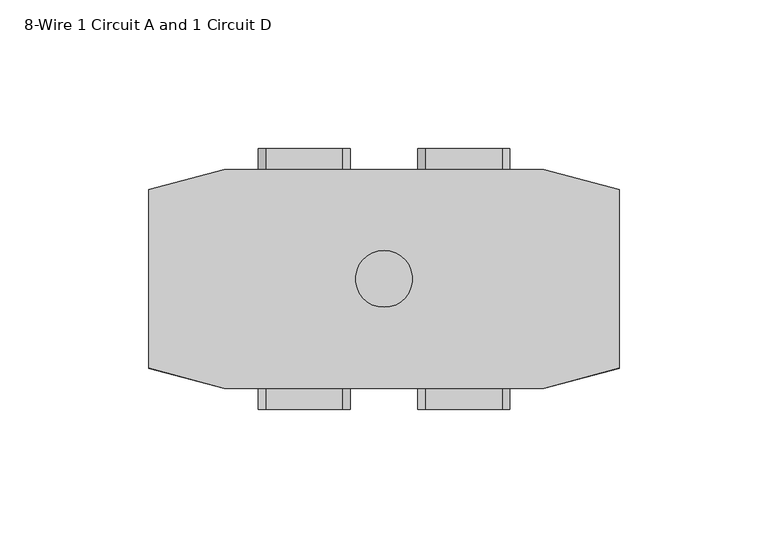
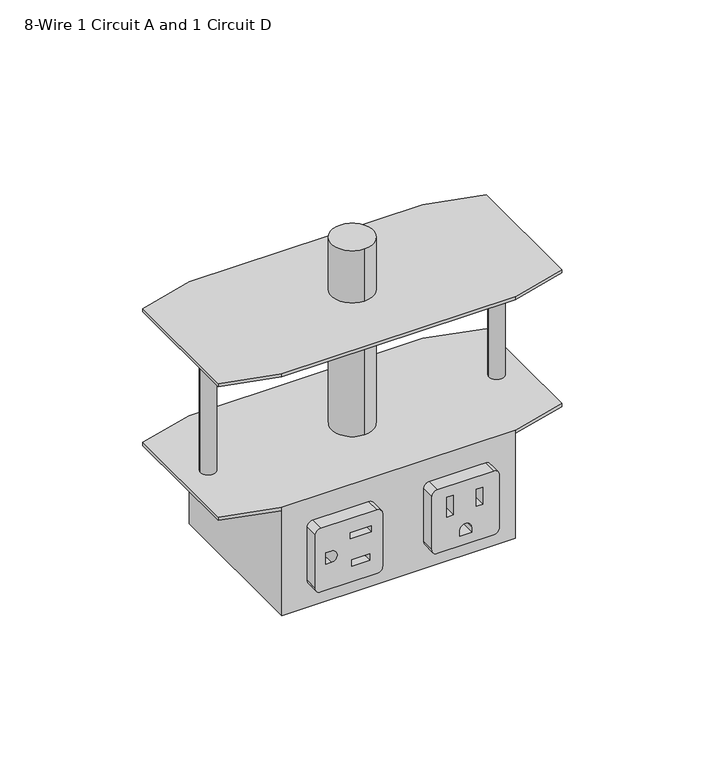
"""IFC4 building model written with IfcOpenShell, lengths in millimetres: furniture geometry, 8-Wire 1 Circuit A and 1 Circuit D."""

import ifcopenshell
import ifcopenshell.guid

model = None  # the IFC model being written
_history = None  # IfcOwnerHistory: only IFC2X3 demands one
_inside = {}  # id of a spatial element -> (the spatial element, [elements in it])
_under = {}  # id of a project, library or spatial element -> (it, [spatial elements below it])
_declared = {}  # id of a project -> (the project, [libraries it declares])
_typed = {}  # id of a type object -> (the type object, [elements of that type])
_made_of = {}  # id of a material, layer set ... -> (it, [elements and type objects made of it])


def new_model(schema):
    """Start an empty IFC model of exactly this schema.

    Asked for "IFC4X3", IfcOpenShell would pick the latest addendum, in which some entities
    have other attributes; the version numbers below select the first issue.
    IFC2X3 requires an IfcOwnerHistory on every rooted entity: one is made here for all.
    """
    global model, _history
    if schema == "IFC4X3":
        model = ifcopenshell.file(schema_version=(4, 3, 0, 0))
    else:
        model = ifcopenshell.file(schema=schema)
    _inside.clear()
    _under.clear()
    _declared.clear()
    _typed.clear()
    _made_of.clear()
    _history = None
    if model.schema == "IFC2X3":
        org = make("IfcOrganization", Name="unknown")
        user = make(
            "IfcPersonAndOrganization",
            ThePerson=make("IfcPerson", FamilyName="unknown"),
            TheOrganization=org,
        )
        app = make(
            "IfcApplication",
            ApplicationDeveloper=org,
            Version="unknown",
            ApplicationFullName="unknown",
            ApplicationIdentifier="unknown",
        )
        _history = make(
            "IfcOwnerHistory",
            OwningUser=user,
            OwningApplication=app,
            ChangeAction="ADDED",
            CreationDate=0,
        )
    return model


def make(cls, **values):
    """One entity of the class cls with the attributes given. An attribute that is None is left unset."""
    return model.create_entity(
        cls, **{name: value for name, value in values.items() if value is not None}
    )


def rooted(cls, **values):
    """An entity with a GlobalId (a new one), such as an element, a storey or a relation."""
    return make(cls, GlobalId=ifcopenshell.guid.new(), OwnerHistory=_history, **values)


def si_unit(unit_type, name, prefix=None):
    """IfcSIUnit, for example si_unit("LENGTHUNIT", "METRE", prefix="MILLI")."""
    return make("IfcSIUnit", UnitType=unit_type, Prefix=prefix, Name=name)


def assignment(units):
    """IfcUnitAssignment: the units of a project."""
    return None if units is None else make("IfcUnitAssignment", Units=units)


def point(xyz):
    """IfcCartesianPoint."""
    return None if xyz is None else make("IfcCartesianPoint", Coordinates=xyz)


def direction(xyz):
    """IfcDirection."""
    return None if xyz is None else make("IfcDirection", DirectionRatios=xyz)


def frame(location, z_axis=None, x_axis=None):
    """IfcAxis2Placement3D, a coordinate frame: its origin and axes. An axis left out is left unset."""
    return make(
        "IfcAxis2Placement3D",
        Location=point(location),
        Axis=direction(z_axis),
        RefDirection=direction(x_axis),
    )


def frame_2d(location, x_axis=None):
    """IfcAxis2Placement2D, a coordinate frame in the plane: its origin and x axis."""
    return make(
        "IfcAxis2Placement2D", Location=point(location), RefDirection=direction(x_axis)
    )


def origin():
    """The frame at (0, 0, 0) with its axes left unset."""
    return frame((0.0, 0.0, 0.0))


def place(relative_to, where):
    """IfcLocalPlacement: puts the frame where relative to a parent placement (None: the world)."""
    return make(
        "IfcLocalPlacement", PlacementRelTo=relative_to, RelativePlacement=where
    )


def context(
    kind, dimensions, precision=None, world=None, true_north=None, identifier=None
):
    """IfcGeometricRepresentationContext, for example the 3D "Model" context."""
    return make(
        "IfcGeometricRepresentationContext",
        ContextIdentifier=identifier,
        ContextType=kind,
        CoordinateSpaceDimension=dimensions,
        Precision=precision,
        WorldCoordinateSystem=world,
        TrueNorth=true_north,
    )


def project(units=None, contexts=None):
    """IfcProject with its units and contexts."""
    return rooted(
        "IfcProject",
        Name="project",
        RepresentationContexts=contexts,
        UnitsInContext=assignment(units),
    )


def spatial(cls, under=None, at=None, **own):
    """A site, building, storey or space (cls), placed at a placement, below another one or the project."""
    s = rooted(cls, ObjectPlacement=at, **own)
    if under is not None:
        _under.setdefault(under.id(), (under, []))[1].append(s)
    return s


def polyline(points):
    """IfcPolyline through the points."""
    return make("IfcPolyline", Points=[point(p) for p in points])


def circle_curve(where, radius):
    """IfcCircle in the frame where."""
    return make("IfcCircle", Position=where, Radius=radius)


def trimmed(basis, trim1, trim2, sense, master):
    """IfcTrimmedCurve: the piece of a basis curve between two trims."""
    return make(
        "IfcTrimmedCurve",
        BasisCurve=basis,
        Trim1=trim1,
        Trim2=trim2,
        SenseAgreement=sense,
        MasterRepresentation=master,
    )


def segment(curve, same_sense, transition):
    """IfcCompositeCurveSegment."""
    return make(
        "IfcCompositeCurveSegment",
        Transition=transition,
        SameSense=same_sense,
        ParentCurve=curve,
    )


def composite_curve(segments, self_intersect=None):
    """IfcCompositeCurve: segments joined end to end."""
    return make("IfcCompositeCurve", Segments=segments, SelfIntersect=self_intersect)


def outline(outer, holes=None, kind="AREA"):
    """IfcArbitraryClosedProfileDef: a profile drawn as a closed curve; with holes, ...WithVoids."""
    if holes is None:
        return make("IfcArbitraryClosedProfileDef", ProfileType=kind, OuterCurve=outer)
    return make(
        "IfcArbitraryProfileDefWithVoids",
        ProfileType=kind,
        OuterCurve=outer,
        InnerCurves=holes,
    )


def extrude(swept, where, along, depth):
    """IfcExtrudedAreaSolid: the profile swept, set in the frame where, extruded along a direction by depth."""
    return make(
        "IfcExtrudedAreaSolid",
        SweptArea=swept,
        Position=where,
        ExtrudedDirection=direction(along),
        Depth=depth,
    )


def faces_of(points, faces, orient=None, outer=None):
    """IfcFace entities. A face is a list of loops; a loop is a list of indices into points, from 0.

    orient and outer hold one flag for each loop. By default every Orientation is true, the
    first loop of a face is its IfcFaceOuterBound and the others are IfcFaceBound.
    """
    made = []
    for i, loops in enumerate(faces):
        bounds = []
        for j, loop in enumerate(loops):
            is_outer = j == 0 if outer is None else outer[i][j]
            bounds.append(
                make(
                    "IfcFaceOuterBound" if is_outer else "IfcFaceBound",
                    Bound=make("IfcPolyLoop", Polygon=[points[k] for k in loop]),
                    Orientation=True if orient is None else orient[i][j],
                )
            )
        made.append(make("IfcFace", Bounds=bounds))
    return made


def faceted_brep(points, faces, orient=None, outer=None, voids=None):
    """IfcFacetedBrep: a solid bounded by flat faces; with voids (closed shells), ...WithVoids."""
    shared = [point(p) for p in points]
    hull = make("IfcClosedShell", CfsFaces=faces_of(shared, faces, orient, outer))
    if voids is None:
        return make("IfcFacetedBrep", Outer=hull)
    return make(
        "IfcFacetedBrepWithVoids",
        Outer=hull,
        Voids=[
            make(cls, CfsFaces=faces_of(shared, fs, o, b)) for cls, fs, o, b in voids
        ],
    )


def shape(context_of_items, identifier, shape_type, items):
    """IfcShapeRepresentation: the items that make up one representation, for example the "Body"."""
    return make(
        "IfcShapeRepresentation",
        ContextOfItems=context_of_items,
        RepresentationIdentifier=identifier,
        RepresentationType=shape_type,
        Items=items,
    )


def source(mapping_origin, context_of_items, identifier, shape_type, items):
    """IfcRepresentationMap: a shape defined once, which mapped items show again and again."""
    return make(
        "IfcRepresentationMap",
        MappingOrigin=mapping_origin,
        MappedRepresentation=shape(context_of_items, identifier, shape_type, items),
    )


def transform(
    local_origin,
    x_axis=None,
    y_axis=None,
    z_axis=None,
    scale=None,
    scale2=None,
    scale3=None,
    uniform=True,
):
    """IfcCartesianTransformationOperator3D, or its non-uniform kind. x_axis, y_axis, z_axis: its Axis1, 2, 3."""
    if uniform:
        return make(
            "IfcCartesianTransformationOperator3D",
            Axis1=direction(x_axis),
            Axis2=direction(y_axis),
            LocalOrigin=point(local_origin),
            Scale=scale,
            Axis3=direction(z_axis),
        )
    return make(
        "IfcCartesianTransformationOperator3DnonUniform",
        Axis1=direction(x_axis),
        Axis2=direction(y_axis),
        LocalOrigin=point(local_origin),
        Scale=scale,
        Axis3=direction(z_axis),
        Scale2=scale2,
        Scale3=scale3,
    )


def mapped(mapping_source, mapping_target):
    """IfcMappedItem: shows the shape of a source again, moved by a transform."""
    return make(
        "IfcMappedItem", MappingSource=mapping_source, MappingTarget=mapping_target
    )


def made_of(thing, what):
    """Note that an element or type object is made of a material, layer set ...; save() writes the relation."""
    if what is not None:
        _made_of.setdefault(what.id(), (what, []))[1].append(thing)
    return thing


def element(
    cls,
    number,
    at=None,
    inside=None,
    cuts=None,
    type_object=None,
    material=None,
    context=None,
    identifier="Body",
    shape_type=None,
    held_by="IfcProductDefinitionShape",
    body=None,
    shapes=None,
    **own,
):
    """One element of the class cls, such as IfcWall. Its Tag is "e" and its number.

    at: its placement. inside: the storey or other place that contains it. cuts: it is an
    opening in that element (IfcRelVoidsElement). A single representation is given by context,
    identifier, shape_type and body (its items); several are given by shapes. held_by: the class
    of the entity that holds the representations. save() writes the other relations.
    """
    e = rooted(cls, Tag="e%d" % number, ObjectPlacement=at, **own)
    if body is not None:
        shapes = [shape(context, identifier, shape_type, body)]
    if shapes is not None:
        e.Representation = make(held_by, Representations=shapes)
    if inside is not None:
        _inside.setdefault(inside.id(), (inside, []))[1].append(e)
    if cuts is not None:
        rooted(
            "IfcRelVoidsElement", RelatingBuildingElement=cuts, RelatedOpeningElement=e
        )
    if type_object is not None:
        _typed.setdefault(type_object.id(), (type_object, []))[1].append(e)
    return made_of(e, material)


def aggregate(whole, parts):
    """IfcRelAggregates: a whole, such as a stair, and the parts it consists of."""
    return rooted("IfcRelAggregates", RelatingObject=whole, RelatedObjects=parts)


def save(model, path):
    """Write the relations noted so far, then the file.

    IfcRelAggregates (storeys below a building ...), IfcRelContainedInSpatialStructure (elements
    in a storey), IfcRelDefinesByType, IfcRelAssociatesMaterial and IfcRelDeclares: one each for
    every whole, place, type object, material and project.
    """
    for whole, parts in _under.values():
        aggregate(whole, parts)
    for where, things in _inside.values():
        rooted(
            "IfcRelContainedInSpatialStructure",
            RelatedElements=things,
            RelatingStructure=where,
        )
    for kind, things in _typed.values():
        rooted("IfcRelDefinesByType", RelatedObjects=things, RelatingType=kind)
    for what, things in _made_of.values():
        rooted("IfcRelAssociatesMaterial", RelatedObjects=things, RelatingMaterial=what)
    for by, libraries in _declared.values():
        rooted("IfcRelDeclares", RelatingContext=by, RelatedDefinitions=libraries)
    model.write(path)


def plane_surface(at):
    """IfcPlane: the flat surface through the origin of the frame at, square to its z axis."""
    return make("IfcPlane", Position=at)


def cylinder_surface(at, radius):
    """IfcCylindricalSurface: all points at the distance radius from the z axis of the frame at."""
    return make("IfcCylindricalSurface", Position=at, Radius=radius)


def advanced_brep(points, edges, surfaces, faces):
    """IfcAdvancedBrep: a solid bounded by faces that lie on surfaces and meet in shared edges.

    An edge is (start, end): straight between two places in points (the first is 0);
    or (start, end, curve); or (start, end, curve, False) where it runs against its curve.
    A face is (place in surfaces, loops), or (place, loops, False) where it looks against
    its surface's normal. A loop lists edges by number (the first is 1), with a minus sign
    where the edge is run from its end to its start. The first loop is the outer one.
    """
    corners = [point(p) for p in points]
    vertices = [make("IfcVertexPoint", VertexGeometry=c) for c in corners]
    made = []
    for start, end, *more in edges:
        made.append(
            make(
                "IfcEdgeCurve",
                EdgeStart=vertices[start],
                EdgeEnd=vertices[end],
                EdgeGeometry=more[0] if more else make("IfcPolyline", Points=[corners[start], corners[end]]),
                SameSense=more[1] if len(more) > 1 else True,
            )
        )
    hull = []
    for where, loops, *sense in faces:
        bounds = []
        for j, loop in enumerate(loops):
            ring = [make("IfcOrientedEdge", EdgeElement=made[abs(k) - 1], Orientation=k > 0) for k in loop]
            bounds.append(
                make(
                    "IfcFaceOuterBound" if j == 0 else "IfcFaceBound",
                    Bound=make("IfcEdgeLoop", EdgeList=ring),
                    Orientation=True,
                )
            )
        hull.append(make("IfcAdvancedFace", Bounds=bounds, FaceSurface=surfaces[where], SameSense=sense[0] if sense else True))
    return make("IfcAdvancedBrep", Outer=make("IfcClosedShell", CfsFaces=hull))


def furniture_8_wire_1_circuit_a_and_1_circuit_d_0ca90a30(model_context):
    return source(origin(), model_context, "Body", "SolidModel", [
        advanced_brep(
        [(53.6575033, -1.9049964, 163.6268038), (-53.6575033, -1.9049964, 163.6268038), (-53.6574898, -1.9049964, 165.1508024), (53.6575033, -1.9049964, 165.1508024), (53.6575033, -75.5649988, 165.1508024), (-53.6575033, -75.5649988, 165.1508024), (-53.6575079, -75.5649988, 163.6268038), (53.6575033, -75.5649988, 163.6268038), (79.0575015, -8.7109094, 163.6268038), (79.0575015, -68.7590888, 163.6268038), (-79.0575015, -68.7590888, 163.6268038), (-79.0575015, -8.7109094, 163.6268038), (0.0, -29.2099976, 163.6268038), (0.0, -48.2599976, 163.6268038), (-79.0575015, -8.7109094, 165.1508024), (-79.0575015, -68.7590888, 165.1508024), (79.0575015, -68.7590888, 165.1508024), (79.0575015, -8.7109094, 165.1508024), (0.0, -48.2599976, 165.1508024), (0.0, -29.2099976, 165.1508024), (0.0, -48.2599976, 190.5507963), (0.0, -29.2099976, 190.5507963), (0.0, -48.2599976, 100.1268326), (0.0, -29.2099976, 100.1268326)],
        [
            (0, 1),
            (1, 2),
            (2, 3),
            (3, 0),
            (4, 5),
            (5, 6),
            (6, 7),
            (7, 4),
            (0, 8),
            (8, 9),
            (9, 7),
            (6, 10),
            (10, 11),
            (11, 1),
            (12, 13, circle_curve(frame((0.0, -38.7349976, 163.6268038), z_axis=(0.0, 0.0, 1.0), x_axis=(0.0, 1.0, 0.0)), 9.525)),
            (13, 12, circle_curve(frame((0.0, -38.7349976, 163.6268038), z_axis=(0.0, 0.0, 1.0), x_axis=(0.0, 1.0, 0.0)), 9.525)),
            (2, 14),
            (14, 15),
            (15, 5),
            (4, 16),
            (16, 17),
            (17, 3),
            (18, 19, circle_curve(frame((0.0, -38.7349976, 165.1508024), z_axis=(0.0, 0.0, -1.0), x_axis=(0.0, 1.0, 0.0)), 9.525)),
            (19, 18, circle_curve(frame((0.0, -38.7349976, 165.1508024), z_axis=(0.0, 0.0, -1.0), x_axis=(0.0, 1.0, 0.0)), 9.525)),
            (20, 21, circle_curve(frame((0.0, -38.7349976, 190.5507963), z_axis=(0.0, 0.0, 1.0), x_axis=(0.0, 1.0, 0.0)), 9.525)),
            (21, 20, circle_curve(frame((0.0, -38.7349976, 190.5507963), z_axis=(0.0, 0.0, 1.0), x_axis=(0.0, 1.0, 0.0)), 9.525)),
            (22, 23, circle_curve(frame((0.0, -38.7349976, 100.1268326), z_axis=(0.0, 0.0, -1.0), x_axis=(0.0, 1.0, 0.0)), 9.525)),
            (23, 22, circle_curve(frame((0.0, -38.7349976, 100.1268326), z_axis=(0.0, 0.0, -1.0), x_axis=(0.0, 1.0, 0.0)), 9.525)),
            (21, 19),
            (18, 20),
            (22, 13),
            (12, 23),
            (17, 8),
            (9, 16),
            (14, 11),
            (10, 15),
        ],
        [
            plane_surface(frame((53.6575033, -1.9049964, 100.1268326), z_axis=(0.0, 1.0, 0.0), x_axis=(0.0, 0.0, -1.0))),
            plane_surface(frame((53.6575033, -75.5649988, 100.1268326), z_axis=(0.0, -1.0, 0.0), x_axis=(0.0, 0.0, 1.0))),
            plane_surface(frame((53.6575033, -1.9049964, 163.6268038), z_axis=(0.0, 0.0, -1.0), x_axis=(0.0, -1.0, 0.0))),
            plane_surface(frame((-53.6575033, -1.9049964, 165.1508024), z_axis=(0.0, 0.0, 1.0), x_axis=(0.0, -1.0, 0.0))),
            plane_surface(frame((0.0, -29.2099976, 190.5507963), z_axis=(0.0, 0.0, 1.0), x_axis=(-1.0, 0.0, 0.0))),
            plane_surface(frame((0.0, -29.2099976, 100.1268326), z_axis=(0.0, 0.0, -1.0), x_axis=(1.0, 0.0, 0.0))),
            cylinder_surface(frame((0.0, -38.7349976, 100.1268326), z_axis=(0.0, 0.0, 1.0), x_axis=(0.0, 1.0, 0.0)), 9.525),
            plane_surface(frame((79.0575015, -8.7109094, 165.1508387), z_axis=(0.2588190584966735, 0.9659258227001158, 0.0), x_axis=(0.0, 0.0, -1.0))),
            plane_surface(frame((53.6575033, -75.565, 165.1508387), z_axis=(0.2588191236285681, -0.9659258052480739, 0.0), x_axis=(0.0, 0.0, -1.0))),
            plane_surface(frame((79.0575015, -68.7590888, 165.1508387), z_axis=(1.0, 0.0, 0.0), x_axis=(0.0, 0.0, -1.0))),
            plane_surface(frame((-79.0575015, -8.7109094, 165.1508387), z_axis=(-1.0, 0.0, 0.0), x_axis=(0.0, 0.0, -1.0))),
            plane_surface(frame((-79.0575015, -68.7590888, 165.1508387), z_axis=(-0.2588191236285681, -0.9659258052480739, 0.0), x_axis=(0.0, 0.0, -1.0))),
            plane_surface(frame((-53.6575033, -1.905, 165.1508387), z_axis=(-0.2588190584966735, 0.9659258227001158, 0.0), x_axis=(0.0, 0.0, -1.0))),
        ],
        [
            (0, [[1, 2, 3, 4]]),
            (1, [[5, 6, 7, 8]]),
            (2, [[-1, 9, 10, 11, -7, 12, 13, 14], [15, 16]]),
            (3, [[-3, 17, 18, 19, -5, 20, 21, 22], [23, 24]]),
            (4, [[25, 26]]),
            (5, [[27, 28]]),
            (6, [[-26, 29, -23, 30]]),
            (6, [[-27, 31, -15, 32]]),
            (6, [[-25, -30, -24, -29]]),
            (6, [[-28, -32, -16, -31]]),
            (7, [[-22, 33, -9, -4]]),
            (8, [[-20, -8, -11, 34]]),
            (9, [[-21, -34, -10, -33]]),
            (10, [[-18, 35, -13, 36]]),
            (11, [[-19, -36, -12, -6]]),
            (12, [[-17, -2, -14, -35]]),
        ],
    ),
        faceted_brep([(53.6575033, -1.9049964, 47.548801), (-53.6575033, -1.9049964, 47.548801), (-53.6575033, -1.9049964, 98.6027977), (-53.6574898, -1.9049964, 100.1268326), (53.6575033, -1.9049964, 100.1268326), (53.6574898, -1.9049964, 98.6027977), (53.6575033, -75.5649988, 100.1268326), (-53.6575033, -75.5649988, 100.1268326), (-53.6575079, -75.5649988, 98.6027977), (-53.6575033, -75.5649988, 47.548801), (53.6575033, -75.5649988, 47.548801), (53.6575033, -75.5649988, 98.6027977), (-79.0575015, -8.7109094, 100.1268326), (-79.0575015, -68.7590888, 100.1268326), (79.0575015, -68.7590888, 100.1268326), (79.0575015, -8.7109094, 100.1268326), (79.0575015, -8.7109094, 98.6027977), (79.0575015, -68.7590888, 98.6027977), (-79.0575015, -8.7109094, 98.6027977), (-79.0575015, -68.7590888, 98.6027977)], [[[0, 1, 2, 3, 4, 5]], [[6, 7, 8, 9, 10, 11]], [[10, 0, 5, 11]], [[1, 0, 10, 9]], [[1, 9, 8, 2]], [[4, 3, 12, 13, 7, 6, 14, 15]], [[16, 17, 11, 5]], [[18, 2, 8, 19]], [[4, 15, 16, 5]], [[14, 6, 11, 17]], [[15, 14, 17, 16]], [[13, 12, 18, 19]], [[7, 13, 19, 8]], [[12, 3, 2, 18]]]),
        extrude(outline(composite_curve([segment(trimmed(circle_curve(frame_2d((66.3575006, -38.7349994)), 3.5131486), [point((69.8706492, -38.7349994))], [point((62.844352, -38.7349994))], False, "CARTESIAN"), True, "CONTINUOUS"), segment(trimmed(circle_curve(frame_2d((66.3575006, -38.7349994)), 3.5131486), [point((62.844352, -38.7349994))], [point((69.8706492, -38.7349994))], False, "CARTESIAN"), True, "CONTINUOUS")], self_intersect=False)), frame((0.0, 0.0, 100.1268326), z_axis=(0.0, 0.0, 1.0), x_axis=(1.0, 0.0, 0.0)), (0.0, 0.0, 1.0), 63.4999712),
        extrude(outline(composite_curve([segment(trimmed(circle_curve(frame_2d((-66.3575006, -38.7349994)), 3.5131486), [point((-69.8706492, -38.7349994))], [point((-62.844352, -38.7349994))], False, "CARTESIAN"), True, "CONTINUOUS"), segment(trimmed(circle_curve(frame_2d((-66.3575006, -38.7349994)), 3.5131486), [point((-62.844352, -38.7349994))], [point((-69.8706492, -38.7349994))], False, "CARTESIAN"), True, "CONTINUOUS")], self_intersect=False)), frame((0.0, 0.0, 100.1268326), z_axis=(0.0, 0.0, 1.0), x_axis=(1.0, 0.0, 0.0)), (0.0, 0.0, 1.0), 63.4999712),
        extrude(outline(composite_curve([segment(polyline([(89.3063448, -13.9003122), (89.3063448, -39.7573501)]), True, "CONTINUOUS"), segment(trimmed(circle_curve(frame_2d((86.7663448, -39.7573501)), 2.54), [point((89.3063448, -39.7573501))], [point((86.7663448, -42.2973501))], False, "CARTESIAN"), True, "CONTINUOUS"), segment(polyline([(86.7663448, -42.2973501), (60.9092797, -42.2973501)]), True, "CONTINUOUS"), segment(trimmed(circle_curve(frame_2d((60.9092797, -39.7573501)), 2.54), [point((60.9092797, -42.2973501))], [point((58.3692797, -39.7573501))], False, "CARTESIAN"), True, "CONTINUOUS"), segment(polyline([(58.3692797, -39.7573501), (58.3692797, -13.9003122)]), True, "CONTINUOUS"), segment(trimmed(circle_curve(frame_2d((60.9092797, -13.9003122)), 2.54), [point((58.3692797, -13.9003122))], [point((60.9092797, -11.3603122))], False, "CARTESIAN"), True, "CONTINUOUS"), segment(polyline([(60.9092797, -11.3603122), (86.7663448, -11.3603122)]), True, "CONTINUOUS"), segment(trimmed(circle_curve(frame_2d((86.7663448, -13.9003122)), 2.54), [point((86.7663448, -11.3603122))], [point((89.3063448, -13.9003122))], False, "CARTESIAN"), True, "CONTINUOUS")], self_intersect=False), holes=[polyline([(82.473259, -16.5407009), (79.4602888, -16.5407009), (79.4602888, -26.1562841), (82.473259, -26.1562841), (82.473259, -16.5407009)]), composite_curve([segment(polyline([(76.6087187, -37.4550312), (76.6087187, -35.049949)]), True, "CONTINUOUS"), segment(trimmed(circle_curve(frame_2d((73.8378122, -35.049949)), 2.7709064), [point((76.6087187, -35.049949))], [point((71.0669058, -35.049949))], True, "CARTESIAN"), True, "CONTINUOUS"), segment(polyline([(71.0669058, -35.049949), (71.0669058, -37.4550312), (76.6087187, -37.4550312)]), True, "CONTINUOUS")], self_intersect=False), polyline([(69.0195744, -17.3324949), (65.9555899, -17.3324949), (65.9555899, -25.5865878), (69.0195744, -25.5865878), (69.0195744, -17.3324949)])]), frame((0.0, -82.5516194, 0.0), z_axis=(0.0, 1.0, 0.0), x_axis=(0.0, 0.0, 1.0)), (0.0, 0.0, 1.0), 6.9866193),
        extrude(outline(composite_curve([segment(trimmed(circle_curve(frame_2d((60.9092797, 39.7571866)), 2.54), [point((58.3692797, 39.7571866))], [point((60.9092797, 42.2971866))], False, "CARTESIAN"), True, "CONTINUOUS"), segment(polyline([(60.9092797, 42.2971866), (86.7663448, 42.2971866)]), True, "CONTINUOUS"), segment(trimmed(circle_curve(frame_2d((86.7663448, 39.7571866)), 2.54), [point((86.7663448, 42.2971866))], [point((89.3063448, 39.7571866))], False, "CARTESIAN"), True, "CONTINUOUS"), segment(polyline([(89.3063448, 39.7571866), (89.3063448, 13.9001396)]), True, "CONTINUOUS"), segment(trimmed(circle_curve(frame_2d((86.7663448, 13.9001396)), 2.54), [point((89.3063448, 13.9001396))], [point((86.7663448, 11.3601396))], False, "CARTESIAN"), True, "CONTINUOUS"), segment(polyline([(86.7663448, 11.3601396), (60.9092797, 11.3601396)]), True, "CONTINUOUS"), segment(trimmed(circle_curve(frame_2d((60.9092797, 13.9001396)), 2.54), [point((60.9092797, 11.3601396))], [point((58.3692797, 13.9001396))], False, "CARTESIAN"), True, "CONTINUOUS"), segment(polyline([(58.3692797, 13.9001396), (58.3692797, 39.7571866)]), True, "CONTINUOUS")], self_intersect=False), holes=[polyline([(84.1259742, 18.1932254), (84.1259742, 21.2061956), (74.5103911, 21.2061956), (74.5103911, 18.1932254), (84.1259742, 18.1932254)]), composite_curve([segment(polyline([(63.211644, 24.0577657), (65.6167261, 24.0577657)]), True, "CONTINUOUS"), segment(trimmed(circle_curve(frame_2d((65.6167261, 26.8286722)), 2.7709064), [point((65.6167261, 24.0577657))], [point((65.6167261, 29.5995786))], True, "CARTESIAN"), True, "CONTINUOUS"), segment(polyline([(65.6167261, 29.5995786), (63.211644, 29.5995786), (63.211644, 24.0577657)]), True, "CONTINUOUS")], self_intersect=False), polyline([(83.3341803, 31.6469101), (83.3341803, 34.7108945), (75.0800874, 34.7108945), (75.0800874, 31.6469101), (83.3341803, 31.6469101)])]), frame((0.0, -82.5516194, 0.0), z_axis=(0.0, 1.0, 0.0), x_axis=(0.0, 0.0, 1.0)), (0.0, 0.0, 1.0), 6.9866193),
        extrude(outline(composite_curve([segment(polyline([(89.3063448, -13.9003122), (89.3063448, -39.7573501)]), True, "CONTINUOUS"), segment(trimmed(circle_curve(frame_2d((86.7663448, -39.7573501)), 2.54), [point((89.3063448, -39.7573501))], [point((86.7663448, -42.2973501))], False, "CARTESIAN"), True, "CONTINUOUS"), segment(polyline([(86.7663448, -42.2973501), (60.9092797, -42.2973501)]), True, "CONTINUOUS"), segment(trimmed(circle_curve(frame_2d((60.9092797, -39.7573501)), 2.54), [point((60.9092797, -42.2973501))], [point((58.3692797, -39.7573501))], False, "CARTESIAN"), True, "CONTINUOUS"), segment(polyline([(58.3692797, -39.7573501), (58.3692797, -13.9003122)]), True, "CONTINUOUS"), segment(trimmed(circle_curve(frame_2d((60.9092797, -13.9003122)), 2.54), [point((58.3692797, -13.9003122))], [point((60.9092797, -11.3603122))], False, "CARTESIAN"), True, "CONTINUOUS"), segment(polyline([(60.9092797, -11.3603122), (86.7663448, -11.3603122)]), True, "CONTINUOUS"), segment(trimmed(circle_curve(frame_2d((86.7663448, -13.9003122)), 2.54), [point((86.7663448, -11.3603122))], [point((89.3063448, -13.9003122))], False, "CARTESIAN"), True, "CONTINUOUS")], self_intersect=False), holes=[polyline([(82.473259, -16.5407009), (79.4602888, -16.5407009), (79.4602888, -26.1562841), (82.473259, -26.1562841), (82.473259, -16.5407009)]), composite_curve([segment(polyline([(76.6087187, -37.4550312), (76.6087187, -35.049949)]), True, "CONTINUOUS"), segment(trimmed(circle_curve(frame_2d((73.8378122, -35.049949)), 2.7709064), [point((76.6087187, -35.049949))], [point((71.0669058, -35.049949))], True, "CARTESIAN"), True, "CONTINUOUS"), segment(polyline([(71.0669058, -35.049949), (71.0669058, -37.4550312), (76.6087187, -37.4550312)]), True, "CONTINUOUS")], self_intersect=False), polyline([(69.0195744, -17.3324949), (65.9555899, -17.3324949), (65.9555899, -25.5865878), (69.0195744, -25.5865878), (69.0195744, -17.3324949)])]), frame((0.0, -1.9049964, 0.0), z_axis=(0.0, 1.0, 0.0), x_axis=(0.0, 0.0, 1.0)), (0.0, 0.0, 1.0), 6.9866193),
        extrude(outline(composite_curve([segment(trimmed(circle_curve(frame_2d((60.9092797, 39.7571866)), 2.54), [point((58.3692797, 39.7571866))], [point((60.9092797, 42.2971866))], False, "CARTESIAN"), True, "CONTINUOUS"), segment(polyline([(60.9092797, 42.2971866), (86.7663448, 42.2971866)]), True, "CONTINUOUS"), segment(trimmed(circle_curve(frame_2d((86.7663448, 39.7571866)), 2.54), [point((86.7663448, 42.2971866))], [point((89.3063448, 39.7571866))], False, "CARTESIAN"), True, "CONTINUOUS"), segment(polyline([(89.3063448, 39.7571866), (89.3063448, 13.9001396)]), True, "CONTINUOUS"), segment(trimmed(circle_curve(frame_2d((86.7663448, 13.9001396)), 2.54), [point((89.3063448, 13.9001396))], [point((86.7663448, 11.3601396))], False, "CARTESIAN"), True, "CONTINUOUS"), segment(polyline([(86.7663448, 11.3601396), (60.9092797, 11.3601396)]), True, "CONTINUOUS"), segment(trimmed(circle_curve(frame_2d((60.9092797, 13.9001396)), 2.54), [point((60.9092797, 11.3601396))], [point((58.3692797, 13.9001396))], False, "CARTESIAN"), True, "CONTINUOUS"), segment(polyline([(58.3692797, 13.9001396), (58.3692797, 39.7571866)]), True, "CONTINUOUS")], self_intersect=False), holes=[polyline([(84.1259742, 18.1932254), (84.1259742, 21.2061956), (74.5103911, 21.2061956), (74.5103911, 18.1932254), (84.1259742, 18.1932254)]), composite_curve([segment(polyline([(63.211644, 24.0577657), (65.6167261, 24.0577657)]), True, "CONTINUOUS"), segment(trimmed(circle_curve(frame_2d((65.6167261, 26.8286722)), 2.7709064), [point((65.6167261, 24.0577657))], [point((65.6167261, 29.5995786))], True, "CARTESIAN"), True, "CONTINUOUS"), segment(polyline([(65.6167261, 29.5995786), (63.211644, 29.5995786), (63.211644, 24.0577657)]), True, "CONTINUOUS")], self_intersect=False), polyline([(83.3341803, 31.6469101), (83.3341803, 34.7108945), (75.0800874, 34.7108945), (75.0800874, 31.6469101), (83.3341803, 31.6469101)])]), frame((0.0, -1.9049964, 0.0), z_axis=(0.0, 1.0, 0.0), x_axis=(0.0, 0.0, 1.0)), (0.0, 0.0, 1.0), 6.9866193),
    ])


if __name__ == "__main__":
    model = new_model("IFC4")
    model_context = context("Model", 3, world=origin())
    ifc_project = project(units=[si_unit("LENGTHUNIT", "METRE", prefix="MILLI")], contexts=[model_context])
    site = spatial("IfcSite", under=ifc_project)
    building = spatial("IfcBuilding", under=site)
    placement = place(None, origin())
    furniture_8_wire_1_circuit_a_and_1_circuit_d_shape = furniture_8_wire_1_circuit_a_and_1_circuit_d_0ca90a30(model_context)
    element("IfcFurniture", 1, ObjectType="8-Wire 1 Circuit A and 1 Circuit D", at=placement, inside=building, context=model_context, shape_type="MappedRepresentation", body=[
        mapped(furniture_8_wire_1_circuit_a_and_1_circuit_d_shape, transform((0.0, 0.0, 0.0), x_axis=(1.0, 0.0, 0.0), y_axis=(0.0, 1.0, 0.0), z_axis=(0.0, 0.0, 1.0))),
    ])
    save(model, "model.ifc")
